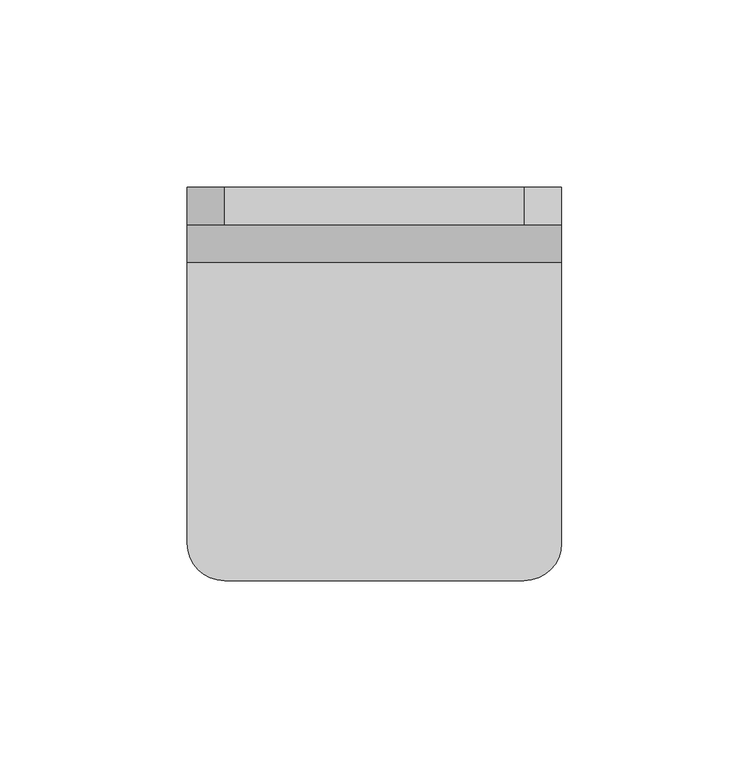
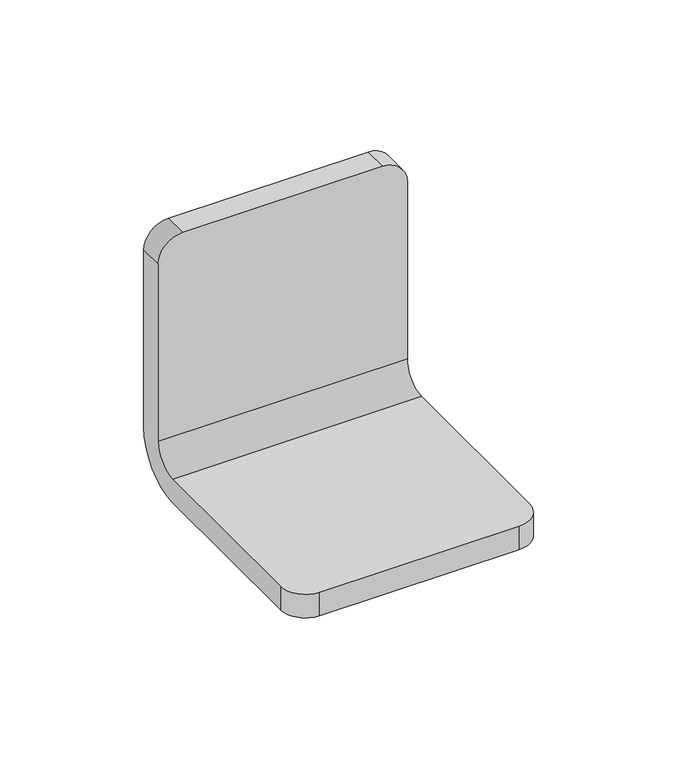
"""IFC4 building model written with IfcOpenShell, lengths in millimetres: proxy geometry."""

from ifc_helpers import new_model, si_unit, frame, origin, place, context, project, spatial, polyline, circle_curve, source, transform, mapped, element, save
from ifc_brep_helpers import plane_surface, cylinder_surface, revolved_surface, advanced_brep


def specialty_equipment_2d3056d4(model_context):
    return source(origin(), model_context, "Body", "AdvancedBrep", [
        advanced_brep(
        [(50.0, 290.0, 20.0), (50.0, 280.0, 10.0), (50.0, 205.0, 10.0), (50.0, 205.0, 0.0), (50.0, 280.0, 0.0), (50.0, 300.0, 20.0), (50.0, 300.0, 95.0), (50.0, 290.0, 95.0), (-50.0, 300.0, 20.0), (-50.0, 280.0, 0.0), (-50.0, 205.0, 0.0), (-50.0, 205.0, 10.0), (-50.0, 280.0, 10.0), (-50.0, 290.0, 20.0), (-50.0, 290.0, 95.0), (-50.0, 300.0, 95.0), (40.0, 290.0, 105.0), (-40.0, 290.0, 105.0), (-40.0, 195.0, 10.0), (40.0, 195.0, 10.0), (-40.0, 195.0, 0.0), (40.0, 195.0, 0.0), (-40.0, 300.0, 105.0), (40.0, 300.0, 105.0)],
        [
            (0, 1, circle_curve(frame((50.0, 280.0, 20.0), z_axis=(-1.0, 0.0, 0.0), x_axis=(0.0, 1.0, 0.0)), 10.0)),
            (1, 2),
            (2, 3),
            (3, 4),
            (4, 5, circle_curve(frame((50.0, 280.0, 20.0), z_axis=(1.0, 0.0, 0.0), x_axis=(0.0, 1.0, 0.0)), 20.0)),
            (5, 6),
            (6, 7),
            (7, 0),
            (8, 9, circle_curve(frame((-50.0, 280.0, 20.0), z_axis=(-1.0, 0.0, 0.0), x_axis=(0.0, 1.0, 0.0)), 20.0)),
            (9, 10),
            (10, 11),
            (11, 12),
            (12, 13, circle_curve(frame((-50.0, 280.0, 20.0), z_axis=(1.0, 0.0, 0.0), x_axis=(0.0, 1.0, 0.0)), 10.0)),
            (13, 14),
            (14, 15),
            (15, 8),
            (13, 0),
            (7, 16, circle_curve(frame((40.0, 290.0, 95.0), z_axis=(0.0, -1.0, 0.0), x_axis=(1.0, 0.0, 0.0)), 10.0)),
            (16, 17),
            (17, 14, circle_curve(frame((-40.0, 290.0, 95.0), z_axis=(0.0, -1.0, 0.0), x_axis=(1.0, 0.0, 0.0)), 10.0)),
            (12, 1),
            (11, 18, circle_curve(frame((-40.0, 205.0, 10.0), z_axis=(0.0, 0.0, 1.0), x_axis=(0.0, -1.0, 0.0)), 10.0)),
            (18, 19),
            (19, 2, circle_curve(frame((40.0, 205.0, 10.0), z_axis=(0.0, 0.0, 1.0), x_axis=(0.0, -1.0, 0.0)), 10.0)),
            (18, 20),
            (20, 21),
            (21, 19),
            (9, 4),
            (3, 21, circle_curve(frame((40.0, 205.0, 0.0), z_axis=(0.0, 0.0, -1.0), x_axis=(0.0, -1.0, 0.0)), 10.0)),
            (20, 10, circle_curve(frame((-40.0, 205.0, 0.0), z_axis=(0.0, 0.0, -1.0), x_axis=(0.0, -1.0, 0.0)), 10.0)),
            (8, 5),
            (15, 22, circle_curve(frame((-40.0, 300.0, 95.0), z_axis=(0.0, 1.0, 0.0), x_axis=(1.0, 0.0, 0.0)), 10.0)),
            (22, 23),
            (23, 6, circle_curve(frame((40.0, 300.0, 95.0), z_axis=(0.0, 1.0, 0.0), x_axis=(1.0, 0.0, 0.0)), 10.0)),
            (16, 23),
            (22, 17),
        ],
        [
            plane_surface(frame((50.0, 290.0, 105.0), z_axis=(1.0, 0.0, 0.0), x_axis=(0.0, 0.0, -1.0))),
            plane_surface(frame((-50.0, 290.0, 105.0), z_axis=(-1.0, 0.0, 0.0), x_axis=(0.0, 0.0, 1.0))),
            plane_surface(frame((50.0, 290.0, 105.0), z_axis=(0.0, -1.0, 0.0), x_axis=(-1.0, 0.0, 0.0))),
            revolved_surface(polyline([(-50.0, 290.0, 20.0), (50.0, 290.0, 20.0)]), (-50.0, 280.0, 20.0), (-1.0, 0.0, 0.0)),
            plane_surface(frame((50.0, 280.0, 10.0), z_axis=(0.0, 0.0, 1.0), x_axis=(-1.0, 0.0, 0.0))),
            plane_surface(frame((50.0, 195.0, 10.0), z_axis=(0.0, -1.0, 0.0), x_axis=(-1.0, 0.0, 0.0))),
            plane_surface(frame((50.0, 195.0, 0.0), z_axis=(0.0, 0.0, -1.0), x_axis=(-1.0, 0.0, 0.0))),
            cylinder_surface(frame((-50.0, 280.0, 20.0), z_axis=(1.0, 0.0, 0.0), x_axis=(0.0, 1.0, 0.0)), 20.0),
            plane_surface(frame((50.0, 300.0, 20.0), z_axis=(0.0, 1.0, 0.0), x_axis=(-1.0, 0.0, 0.0))),
            plane_surface(frame((50.0, 300.0, 105.0), z_axis=(0.0, 0.0, 1.0), x_axis=(-1.0, 0.0, 0.0))),
            cylinder_surface(frame((-40.0, 300.0, 95.0), z_axis=(0.0, 1.0, 0.0), x_axis=(1.0, 0.0, 0.0)), 10.0),
            cylinder_surface(frame((40.0, 247.5, 95.0), z_axis=(0.0, 1.0, 0.0), x_axis=(1.0, 0.0, 0.0)), 10.0),
            cylinder_surface(frame((-40.0, 205.0, 0.0), z_axis=(0.0, 0.0, -1.0), x_axis=(0.0, -1.0, 0.0)), 10.0),
            cylinder_surface(frame((40.0, 205.0, 0.0), z_axis=(0.0, 0.0, -1.0), x_axis=(0.0, -1.0, 0.0)), 10.0),
        ],
        [
            (0, [[1, 2, 3, 4, 5, 6, 7, 8]]),
            (1, [[9, 10, 11, 12, 13, 14, 15, 16]]),
            (2, [[17, -8, 18, 19, 20, -14]]),
            (3, [[-1, -17, -13, 21]]),
            (4, [[-21, -12, 22, 23, 24, -2]]),
            (5, [[-23, 25, 26, 27]]),
            (6, [[28, -4, 29, -26, 30, -10]]),
            (7, [[-5, -28, -9, 31]]),
            (8, [[-31, -16, 32, 33, 34, -6]]),
            (9, [[-19, 35, -33, 36]]),
            (10, [[-15, -20, -36, -32]]),
            (11, [[-7, -34, -35, -18]]),
            (12, [[-11, -30, -25, -22]]),
            (13, [[-3, -24, -27, -29]]),
        ],
    ),
    ])


if __name__ == "__main__":
    model = new_model("IFC4")
    model_context = context("Model", 3, world=origin())
    ifc_project = project(units=[si_unit("LENGTHUNIT", "METRE", prefix="MILLI")], contexts=[model_context])
    site = spatial("IfcSite", under=ifc_project)
    building = spatial("IfcBuilding", under=site)
    placement = place(None, origin())
    specialty_equipment_shape = specialty_equipment_2d3056d4(model_context)
    element("IfcBuildingElementProxy", 1, Name="Specialty Equipment", at=placement, inside=building, context=model_context, shape_type="MappedRepresentation", body=[
        mapped(specialty_equipment_shape, transform((0.0, 0.0, 0.0), x_axis=(1.0, 0.0, 0.0), y_axis=(0.0, 1.0, 0.0), z_axis=(0.0, 0.0, 1.0))),
    ])
    save(model, "model.ifc")
